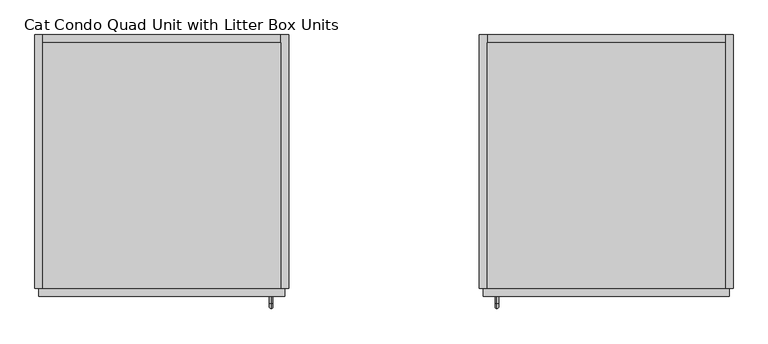
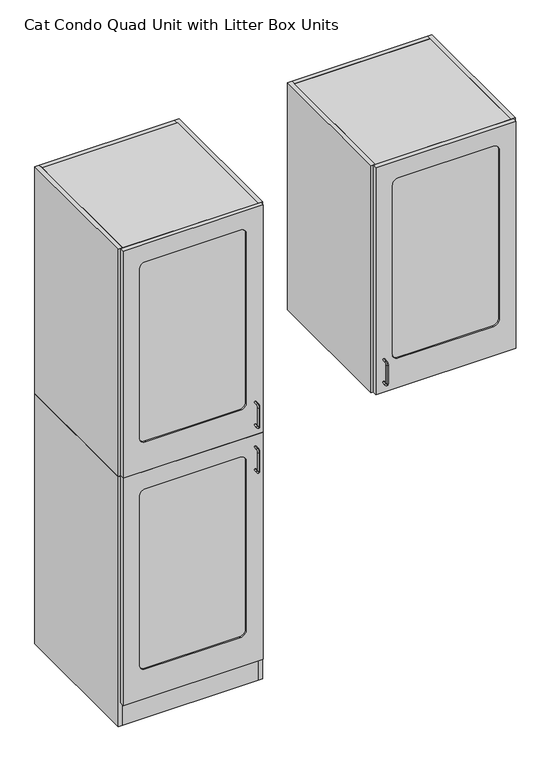
"""IFC4 building model written with IfcOpenShell, lengths in millimetres: proxy geometry, Cat Condo Quad Unit with Litter Box Units."""

from ifc_helpers import new_model, si_unit, point, frame, frame_2d, origin, origin_with_axes, place, context, project, spatial, polyline, circle_curve, ellipse_curve, trimmed, segment, composite_curve, outline, extrude, source, transform, mapped, element, save
from ifc_brep_helpers import plane_surface, cylinder_surface, revolved_surface, advanced_brep


def cat_condo_quad_unit_with_litter_box_units_f180b433(model_context):
    return source(origin(), model_context, "Body", "SolidModel", [
        advanced_brep(
        [(1109.2871577, -19.05, 1256.5493154), (1109.2871577, -19.05, 1264.4006846), (1109.2871577, -35.2117768, 1264.4006846), (1109.2871577, -35.2117768, 1256.5493154), (1109.2871577, -48.3756846, 1251.2367768), (1109.2871577, -40.5243154, 1251.2367768), (1109.2871577, -48.3756846, 1168.1132232), (1109.2871577, -40.5243154, 1168.1132232), (1109.2871577, -35.2117768, 1154.9493154), (1109.2871577, -35.2117768, 1162.8006846), (1109.2871577, -19.05, 1162.8006846), (1109.2871577, -19.05, 1154.9493154)],
        [
            (0, 1, circle_curve(frame((1109.2871577, -19.05, 1260.475), z_axis=(0.0, 1.0, 0.0), x_axis=(0.0, 0.0, 1.0)), 3.9256846)),
            (1, 0, circle_curve(frame((1109.2871577, -19.05, 1260.475), z_axis=(0.0, 1.0, 0.0), x_axis=(0.0, 0.0, 1.0)), 3.9256846)),
            (1, 2),
            (2, 3, circle_curve(frame((1109.2871577, -35.2117768, 1260.475), z_axis=(0.0, 1.0, 0.0), x_axis=(0.0, 0.0, 1.0)), 3.9256846)),
            (3, 0),
            (3, 2, circle_curve(frame((1109.2871577, -35.2117768, 1260.475), z_axis=(0.0, 1.0, 0.0), x_axis=(0.0, 0.0, 1.0)), 3.9256846)),
            (4, 5, circle_curve(frame((1109.2871577, -44.45, 1251.2367768), z_axis=(0.0, 0.0, 1.0), x_axis=(0.0, -1.0, 0.0)), 3.9256846)),
            (5, 3, circle_curve(frame((1109.2871577, -35.2117768, 1251.2367768), z_axis=(-1.0, 0.0, 0.0), x_axis=(0.0, 0.0, 1.0)), 5.3125387)),
            (2, 4, circle_curve(frame((1109.2871577, -35.2117768, 1251.2367768), z_axis=(1.0, 0.0, 0.0), x_axis=(0.0, 0.0, 1.0)), 13.1639078)),
            (5, 4, circle_curve(frame((1109.2871577, -44.45, 1251.2367768), z_axis=(0.0, 0.0, 1.0), x_axis=(0.0, -1.0, 0.0)), 3.9256846)),
            (4, 6),
            (6, 7, circle_curve(frame((1109.2871577, -44.45, 1168.1132232), z_axis=(0.0, 0.0, 1.0), x_axis=(0.0, -1.0, 0.0)), 3.9256846)),
            (7, 5),
            (7, 6, circle_curve(frame((1109.2871577, -44.45, 1168.1132232), z_axis=(0.0, 0.0, 1.0), x_axis=(0.0, -1.0, 0.0)), 3.9256846)),
            (8, 9, circle_curve(frame((1109.2871577, -35.2117768, 1158.875), z_axis=(0.0, -1.0, 0.0), x_axis=(0.0, 0.0, -1.0)), 3.9256846)),
            (9, 7, circle_curve(frame((1109.2871577, -35.2117768, 1168.1132232), z_axis=(-1.0, 0.0, 0.0), x_axis=(0.0, -1.0, 0.0)), 5.3125387)),
            (6, 8, circle_curve(frame((1109.2871577, -35.2117768, 1168.1132232), z_axis=(1.0, 0.0, 0.0), x_axis=(0.0, -1.0, 0.0)), 13.1639078)),
            (9, 8, circle_curve(frame((1109.2871577, -35.2117768, 1158.875), z_axis=(0.0, -1.0, 0.0), x_axis=(0.0, 0.0, -1.0)), 3.9256846)),
            (10, 11, circle_curve(frame((1109.2871577, -19.05, 1158.875), z_axis=(0.0, 1.0, 0.0), x_axis=(0.0, 0.0, -1.0)), 3.9256846)),
            (11, 10, circle_curve(frame((1109.2871577, -19.05, 1158.875), z_axis=(0.0, 1.0, 0.0), x_axis=(0.0, 0.0, -1.0)), 3.9256846)),
            (8, 11),
            (10, 9),
        ],
        [
            plane_surface(frame((1109.2871577, -19.05, 1260.475), z_axis=(0.0, 1.0, 0.0), x_axis=(-1.0, 0.0, 0.0))),
            cylinder_surface(frame((1109.2871577, -19.05, 1260.475), z_axis=(0.0, 1.0, 0.0), x_axis=(0.0, 0.0, 1.0)), 3.9256846),
            revolved_surface(trimmed(ellipse_curve(frame((1109.2871577, -35.2117768, 1260.475), z_axis=(0.0, -1.0, 0.0), x_axis=(0.0, 0.0, 1.0)), 3.9256846, 3.9256846), [point((1109.2871577, -35.2117768, 1256.5493154))], [point((1109.2871577, -35.2117768, 1264.4006846))], True, "CARTESIAN"), (1109.2871577, -35.2117768, 1251.2367768), (-1.0, 0.0, 0.0)),
            revolved_surface(trimmed(ellipse_curve(frame((1109.2871577, -35.2117768, 1260.475), z_axis=(0.0, -1.0, 0.0), x_axis=(0.0, 0.0, 1.0)), 3.9256846, 3.9256846), [point((1109.2871577, -35.2117768, 1264.4006846))], [point((1109.2871577, -35.2117768, 1256.5493154))], True, "CARTESIAN"), (1109.2871577, -35.2117768, 1251.2367768), (-1.0, 0.0, 0.0)),
            cylinder_surface(frame((1109.2871577, -44.45, 1251.2367768), z_axis=(0.0, 0.0, 1.0), x_axis=(0.0, -1.0, 0.0)), 3.9256846),
            revolved_surface(trimmed(ellipse_curve(frame((1109.2871577, -44.45, 1168.1132232), z_axis=(0.0, 0.0, -1.0), x_axis=(0.0, -1.0, 0.0)), 3.9256846, 3.9256846), [point((1109.2871577, -40.5243154, 1168.1132232))], [point((1109.2871577, -48.3756846, 1168.1132232))], True, "CARTESIAN"), (1109.2871577, -35.2117768, 1168.1132232), (-1.0, 0.0, 0.0)),
            revolved_surface(trimmed(ellipse_curve(frame((1109.2871577, -44.45, 1168.1132232), z_axis=(0.0, 0.0, -1.0), x_axis=(0.0, -1.0, 0.0)), 3.9256846, 3.9256846), [point((1109.2871577, -48.3756846, 1168.1132232))], [point((1109.2871577, -40.5243154, 1168.1132232))], True, "CARTESIAN"), (1109.2871577, -35.2117768, 1168.1132232), (-1.0, 0.0, 0.0)),
            plane_surface(frame((1109.2871577, -19.05, 1158.875), z_axis=(0.0, 1.0, 0.0), x_axis=(-1.0, 0.0, 0.0))),
            cylinder_surface(frame((1109.2871577, -35.2117768, 1158.875), z_axis=(0.0, -1.0, 0.0), x_axis=(0.0, 0.0, -1.0)), 3.9256846),
        ],
        [
            (0, [[1, 2]]),
            (1, [[3, 4, 5, -2]]),
            (1, [[-5, 6, -3, -1]]),
            (2, [[7, 8, -4, 9]]),
            (3, [[10, -9, -6, -8]]),
            (4, [[11, 12, 13, -7]]),
            (4, [[-13, 14, -11, -10]]),
            (5, [[15, 16, -12, 17]]),
            (6, [[18, -17, -14, -16]]),
            (7, [[19, 20]]),
            (8, [[21, -19, 22, -15]]),
            (8, [[-22, -20, -21, -18]]),
        ],
    ),
        extrude(outline(polyline([(1085.85, 590.55), (1657.35, 590.55), (1657.35, 0.0), (1085.85, 0.0), (1085.85, 590.55)])), frame((0.0, 0.0, 2108.2), z_axis=(0.0, 0.0, 1.0), x_axis=(1.0, 0.0, 0.0)), (0.0, 0.0, 1.0), 19.05),
        extrude(outline(polyline([(1085.85, 590.55), (1657.35, 590.55), (1657.35, 374.65), (1085.85, 166.6410111), (1085.85, 590.55)])), frame((0.0, 0.0, 1724.025), z_axis=(0.0, 0.0, 1.0), x_axis=(1.0, 0.0, 0.0)), (0.0, 0.0, 1.0), 19.05),
        extrude(outline(composite_curve([segment(polyline([(1454.15, 590.55), (1657.35, 590.55), (1657.35, 25.4), (1530.35, 25.4)]), True, "CONTINUOUS"), segment(trimmed(circle_curve(frame_2d((1530.35, 101.6)), 76.2), [point((1530.35, 25.4))], [point((1454.15, 101.6))], False, "CARTESIAN"), True, "CONTINUOUS"), segment(polyline([(1454.15, 101.6), (1454.15, 590.55)]), True, "CONTINUOUS")], self_intersect=False)), frame((0.0, 0.0, 1419.225), z_axis=(0.0, 0.0, 1.0), x_axis=(1.0, 0.0, 0.0)), (0.0, 0.0, 1.0), 19.05),
        extrude(outline(polyline([(1085.85, 0.0), (1085.85, 590.55), (1657.35, 590.55), (1657.35, 0.0), (1085.85, 0.0)])), frame((0.0, 0.0, 1114.425), z_axis=(0.0, 0.0, 1.0), x_axis=(1.0, 0.0, 0.0)), (0.0, 0.0, 1.0), 19.05),
        extrude(outline(polyline([(1085.85, 609.6), (1085.85, 0.0), (1066.8, 0.0), (1066.8, 609.6), (1085.85, 609.6)])), frame((0.0, 0.0, 1114.425), z_axis=(0.0, 0.0, 1.0), x_axis=(1.0, 0.0, 0.0)), (0.0, 0.0, 1.0), 1012.825),
        extrude(outline(polyline([(1085.85, 609.6), (1657.35, 609.6), (1657.35, 590.55), (1085.85, 590.55), (1085.85, 609.6)])), frame((0.0, 0.0, 1114.425), z_axis=(0.0, 0.0, 1.0), x_axis=(1.0, 0.0, 0.0)), (0.0, 0.0, 1.0), 1012.825),
        extrude(outline(polyline([(1657.35, 609.6), (1676.4, 609.6), (1676.4, 0.0), (1657.35, 0.0), (1657.35, 609.6)])), frame((0.0, 0.0, 1114.425), z_axis=(0.0, 0.0, 1.0), x_axis=(1.0, 0.0, 0.0)), (0.0, 0.0, 1.0), 1012.825),
        extrude(outline(composite_curve([segment(trimmed(circle_curve(frame_2d((2022.475, 1172.36875)), 25.4), [point((2047.875, 1172.36875))], [point((2022.475, 1146.96875))], False, "CARTESIAN"), True, "CONTINUOUS"), segment(polyline([(2022.475, 1146.96875), (1270.0, 1146.96875)]), True, "CONTINUOUS"), segment(trimmed(circle_curve(frame_2d((1270.0, 1172.36875)), 25.4), [point((1270.0, 1146.96875))], [point((1244.6, 1172.36875))], False, "CARTESIAN"), True, "CONTINUOUS"), segment(polyline([(1244.6, 1172.36875), (1244.6, 1572.41875)]), True, "CONTINUOUS"), segment(trimmed(circle_curve(frame_2d((1270.0, 1572.41875)), 25.4), [point((1244.6, 1572.41875))], [point((1270.0, 1597.81875))], False, "CARTESIAN"), True, "CONTINUOUS"), segment(polyline([(1270.0, 1597.81875), (2022.475, 1597.81875)]), True, "CONTINUOUS"), segment(trimmed(circle_curve(frame_2d((2022.475, 1572.41875)), 25.4), [point((2022.475, 1597.81875))], [point((2047.875, 1572.41875))], False, "CARTESIAN"), True, "CONTINUOUS"), segment(polyline([(2047.875, 1572.41875), (2047.875, 1172.36875)]), True, "CONTINUOUS")], self_intersect=False)), frame((0.0, -12.7, 0.0), z_axis=(0.0, 1.0, 0.0), x_axis=(0.0, 0.0, 1.0)), (0.0, 0.0, 1.0), 6.35),
        extrude(outline(polyline([(2127.25, 1076.325), (1114.425, 1076.325), (1114.425, 1666.875), (2127.25, 1666.875), (2127.25, 1076.325)]), holes=[composite_curve([segment(trimmed(circle_curve(frame_2d((2022.475, 1572.41875)), 25.4), [point((2047.875, 1572.41875))], [point((2022.475, 1597.81875))], True, "CARTESIAN"), True, "CONTINUOUS"), segment(polyline([(2022.475, 1597.81875), (1270.0, 1597.81875)]), True, "CONTINUOUS"), segment(trimmed(circle_curve(frame_2d((1270.0, 1572.41875)), 25.4), [point((1270.0, 1597.81875))], [point((1244.6, 1572.41875))], True, "CARTESIAN"), True, "CONTINUOUS"), segment(polyline([(1244.6, 1572.41875), (1244.6, 1172.36875)]), True, "CONTINUOUS"), segment(trimmed(circle_curve(frame_2d((1270.0, 1172.36875)), 25.4), [point((1244.6, 1172.36875))], [point((1270.0, 1146.96875))], True, "CARTESIAN"), True, "CONTINUOUS"), segment(polyline([(1270.0, 1146.96875), (2022.475, 1146.96875)]), True, "CONTINUOUS"), segment(trimmed(circle_curve(frame_2d((2022.475, 1172.36875)), 25.4), [point((2022.475, 1146.96875))], [point((2047.875, 1172.36875))], True, "CARTESIAN"), True, "CONTINUOUS"), segment(polyline([(2047.875, 1172.36875), (2047.875, 1572.41875)]), True, "CONTINUOUS")], self_intersect=False)]), frame((0.0, -19.05, 0.0), z_axis=(0.0, 1.0, 0.0), x_axis=(0.0, 0.0, 1.0)), (0.0, 0.0, 1.0), 19.05),
        advanced_brep(
        [(567.1128423, -19.05, 1056.5243154), (567.1128423, -19.05, 1064.3756846), (567.1128423, -35.2117768, 1064.3756846), (567.1128423, -35.2117768, 1056.5243154), (567.1128423, -35.2117768, 962.7756846), (567.1128423, -35.2117768, 954.9243154), (567.1128423, -19.05, 954.9243154), (567.1128423, -19.05, 962.7756846), (567.1128423, -48.3756846, 1051.2117768), (567.1128423, -40.5243154, 1051.2117768), (567.1128423, -40.5243154, 968.0882232), (567.1128423, -48.3756846, 968.0882232)],
        [
            (0, 1, circle_curve(frame((567.1128423, -19.05, 1060.45), z_axis=(0.0, 1.0, 0.0), x_axis=(0.0, 0.0, 1.0)), 3.9256846)),
            (1, 0, circle_curve(frame((567.1128423, -19.05, 1060.45), z_axis=(0.0, 1.0, 0.0), x_axis=(0.0, 0.0, 1.0)), 3.9256846)),
            (1, 2),
            (2, 3, circle_curve(frame((567.1128423, -35.2117768, 1060.45), z_axis=(0.0, 1.0, 0.0), x_axis=(0.0, 0.0, 1.0)), 3.9256846)),
            (3, 0),
            (4, 5, circle_curve(frame((567.1128423, -35.2117768, 958.85), z_axis=(0.0, 1.0, 0.0), x_axis=(0.0, 0.0, -1.0)), 3.9256846)),
            (5, 6),
            (6, 7, circle_curve(frame((567.1128423, -19.05, 958.85), z_axis=(0.0, -1.0, 0.0), x_axis=(0.0, 0.0, -1.0)), 3.9256846)),
            (7, 4),
            (3, 2, circle_curve(frame((567.1128423, -35.2117768, 1060.45), z_axis=(0.0, 1.0, 0.0), x_axis=(0.0, 0.0, 1.0)), 3.9256846)),
            (8, 2, circle_curve(frame((567.1128423, -35.2117768, 1051.2117768), z_axis=(-1.0, 0.0, 0.0), x_axis=(0.0, 0.0, 1.0)), 13.1639078)),
            (3, 9, circle_curve(frame((567.1128423, -35.2117768, 1051.2117768), z_axis=(1.0, 0.0, 0.0), x_axis=(0.0, 0.0, 1.0)), 5.3125387)),
            (9, 8, circle_curve(frame((567.1128423, -44.45, 1051.2117768), z_axis=(0.0, 0.0, 1.0), x_axis=(0.0, -1.0, 0.0)), 3.9256846)),
            (8, 9, circle_curve(frame((567.1128423, -44.45, 1051.2117768), z_axis=(0.0, 0.0, 1.0), x_axis=(0.0, -1.0, 0.0)), 3.9256846)),
            (9, 10),
            (10, 11, circle_curve(frame((567.1128423, -44.45, 968.0882232), z_axis=(0.0, 0.0, 1.0), x_axis=(0.0, -1.0, 0.0)), 3.9256846)),
            (11, 8),
            (11, 10, circle_curve(frame((567.1128423, -44.45, 968.0882232), z_axis=(0.0, 0.0, 1.0), x_axis=(0.0, -1.0, 0.0)), 3.9256846)),
            (5, 11, circle_curve(frame((567.1128423, -35.2117768, 968.0882232), z_axis=(-1.0, 0.0, 0.0), x_axis=(0.0, -1.0, 0.0)), 13.1639078)),
            (10, 4, circle_curve(frame((567.1128423, -35.2117768, 968.0882232), z_axis=(1.0, 0.0, 0.0), x_axis=(0.0, -1.0, 0.0)), 5.3125387)),
            (4, 5, circle_curve(frame((567.1128423, -35.2117768, 958.85), z_axis=(0.0, -1.0, 0.0), x_axis=(0.0, 0.0, -1.0)), 3.9256846)),
            (6, 7, circle_curve(frame((567.1128423, -19.05, 958.85), z_axis=(0.0, 1.0, 0.0), x_axis=(0.0, 0.0, -1.0)), 3.9256846)),
        ],
        [
            plane_surface(frame((567.1128423, -19.05, 1060.45), z_axis=(0.0, 1.0, 0.0), x_axis=(1.0, 0.0, 0.0))),
            cylinder_surface(frame((567.1128423, -19.05, 1060.45), z_axis=(0.0, 1.0, 0.0), x_axis=(0.0, 0.0, 1.0)), 3.9256846),
            cylinder_surface(frame((567.1128423, -35.2117768, 958.85), z_axis=(0.0, -1.0, 0.0), x_axis=(0.0, 0.0, -1.0)), 3.9256846),
            revolved_surface(trimmed(ellipse_curve(frame((567.1128423, -35.2117768, 1060.45), z_axis=(0.0, 1.0, 0.0), x_axis=(0.0, 0.0, 1.0)), 3.9256846, 3.9256846), [point((567.1128423, -35.2117768, 1056.5243154))], [point((567.1128423, -35.2117768, 1064.3756846))], True, "CARTESIAN"), (567.1128423, -35.2117768, 1051.2117768), (1.0, 0.0, 0.0)),
            revolved_surface(trimmed(ellipse_curve(frame((567.1128423, -35.2117768, 1060.45), z_axis=(0.0, 1.0, 0.0), x_axis=(0.0, 0.0, 1.0)), 3.9256846, 3.9256846), [point((567.1128423, -35.2117768, 1064.3756846))], [point((567.1128423, -35.2117768, 1056.5243154))], True, "CARTESIAN"), (567.1128423, -35.2117768, 1051.2117768), (1.0, 0.0, 0.0)),
            cylinder_surface(frame((567.1128423, -44.45, 1051.2117768), z_axis=(0.0, 0.0, 1.0), x_axis=(0.0, -1.0, 0.0)), 3.9256846),
            revolved_surface(trimmed(ellipse_curve(frame((567.1128423, -44.45, 968.0882232), z_axis=(0.0, 0.0, 1.0), x_axis=(0.0, -1.0, 0.0)), 3.9256846, 3.9256846), [point((567.1128423, -40.5243154, 968.0882232))], [point((567.1128423, -48.3756846, 968.0882232))], True, "CARTESIAN"), (567.1128423, -35.2117768, 968.0882232), (1.0, 0.0, 0.0)),
            revolved_surface(trimmed(ellipse_curve(frame((567.1128423, -44.45, 968.0882232), z_axis=(0.0, 0.0, 1.0), x_axis=(0.0, -1.0, 0.0)), 3.9256846, 3.9256846), [point((567.1128423, -48.3756846, 968.0882232))], [point((567.1128423, -40.5243154, 968.0882232))], True, "CARTESIAN"), (567.1128423, -35.2117768, 968.0882232), (1.0, 0.0, 0.0)),
            plane_surface(frame((567.1128423, -19.05, 958.85), z_axis=(0.0, 1.0, 0.0), x_axis=(1.0, 0.0, 0.0))),
        ],
        [
            (0, [[1, 2]]),
            (1, [[-2, 3, 4, 5]]),
            (2, [[6, 7, 8, 9]]),
            (1, [[-1, -5, 10, -3]]),
            (3, [[11, -10, 12, 13]]),
            (4, [[-12, -4, -11, 14]]),
            (5, [[-13, 15, 16, 17]]),
            (5, [[-14, -17, 18, -15]]),
            (6, [[19, -16, 20, 21]]),
            (7, [[-20, -18, -19, -6]]),
            (8, [[-8, 22]]),
            (2, [[-21, -9, -22, -7]]),
        ],
    ),
        extrude(outline(polyline([(590.55, 590.55), (590.55, 0.0), (19.05, 0.0), (19.05, 590.55), (590.55, 590.55)])), frame((0.0, 0.0, 1095.375), z_axis=(0.0, 0.0, 1.0), x_axis=(1.0, 0.0, 0.0)), (0.0, 0.0, 1.0), 19.05),
        extrude(outline(polyline([(590.55, 590.55), (590.55, 166.6410111), (19.05, 374.65), (19.05, 590.55), (590.55, 590.55)])), frame((0.0, 0.0, 711.2), z_axis=(0.0, 0.0, 1.0), x_axis=(1.0, 0.0, 0.0)), (0.0, 0.0, 1.0), 19.05),
        extrude(outline(composite_curve([segment(polyline([(222.25, 590.55), (222.25, 101.6)]), True, "CONTINUOUS"), segment(trimmed(circle_curve(frame_2d((146.05, 101.6)), 76.2), [point((222.25, 101.6))], [point((146.05, 25.4))], False, "CARTESIAN"), True, "CONTINUOUS"), segment(polyline([(146.05, 25.4), (19.05, 25.4), (19.05, 590.55), (222.25, 590.55)]), True, "CONTINUOUS")], self_intersect=False)), frame((0.0, 0.0, 406.4), z_axis=(0.0, 0.0, 1.0), x_axis=(1.0, 0.0, 0.0)), (0.0, 0.0, 1.0), 19.05),
        extrude(outline(polyline([(590.55, 0.0), (19.05, 0.0), (19.05, 590.55), (590.55, 590.55), (590.55, 0.0)])), frame((0.0, 0.0, 101.6), z_axis=(0.0, 0.0, 1.0), x_axis=(1.0, 0.0, 0.0)), (0.0, 0.0, 1.0), 19.05),
        extrude(outline(polyline([(590.55, 19.05), (590.55, 0.0), (19.05, 0.0), (19.05, 19.05), (590.55, 19.05)])), origin_with_axes(), (0.0, 0.0, 1.0), 101.6),
        extrude(outline(polyline([(590.55, 609.6), (609.6, 609.6), (609.6, 0.0), (590.55, 0.0), (590.55, 609.6)])), origin_with_axes(), (0.0, 0.0, 1.0), 1114.425),
        extrude(outline(polyline([(590.55, 609.6), (590.55, 590.55), (19.05, 590.55), (19.05, 609.6), (590.55, 609.6)])), origin_with_axes(), (0.0, 0.0, 1.0), 1114.425),
        extrude(outline(polyline([(19.05, 609.6), (19.05, 0.0), (0.0, 0.0), (0.0, 609.6), (19.05, 609.6)])), origin_with_axes(), (0.0, 0.0, 1.0), 1114.425),
        extrude(outline(composite_curve([segment(polyline([(1035.05, 504.03125), (1035.05, 103.98125)]), True, "CONTINUOUS"), segment(trimmed(circle_curve(frame_2d((1009.65, 103.98125)), 25.4), [point((1035.05, 103.98125))], [point((1009.65, 78.58125))], False, "CARTESIAN"), True, "CONTINUOUS"), segment(polyline([(1009.65, 78.58125), (257.175, 78.58125)]), True, "CONTINUOUS"), segment(trimmed(circle_curve(frame_2d((257.175, 103.98125)), 25.4), [point((257.175, 78.58125))], [point((231.775, 103.98125))], False, "CARTESIAN"), True, "CONTINUOUS"), segment(polyline([(231.775, 103.98125), (231.775, 504.03125)]), True, "CONTINUOUS"), segment(trimmed(circle_curve(frame_2d((257.175, 504.03125)), 25.4), [point((231.775, 504.03125))], [point((257.175, 529.43125))], False, "CARTESIAN"), True, "CONTINUOUS"), segment(polyline([(257.175, 529.43125), (1009.65, 529.43125)]), True, "CONTINUOUS"), segment(trimmed(circle_curve(frame_2d((1009.65, 504.03125)), 25.4), [point((1009.65, 529.43125))], [point((1035.05, 504.03125))], False, "CARTESIAN"), True, "CONTINUOUS")], self_intersect=False)), frame((0.0, -12.7, 0.0), z_axis=(0.0, 1.0, 0.0), x_axis=(0.0, 0.0, 1.0)), (0.0, 0.0, 1.0), 6.35),
        extrude(outline(polyline([(1114.425, 600.075), (1114.425, 9.525), (101.6, 9.525), (101.6, 600.075), (1114.425, 600.075)]), holes=[composite_curve([segment(polyline([(1035.05, 103.98125), (1035.05, 504.03125)]), True, "CONTINUOUS"), segment(trimmed(circle_curve(frame_2d((1009.65, 504.03125)), 25.4), [point((1035.05, 504.03125))], [point((1009.65, 529.43125))], True, "CARTESIAN"), True, "CONTINUOUS"), segment(polyline([(1009.65, 529.43125), (257.175, 529.43125)]), True, "CONTINUOUS"), segment(trimmed(circle_curve(frame_2d((257.175, 504.03125)), 25.4), [point((257.175, 529.43125))], [point((231.775, 504.03125))], True, "CARTESIAN"), True, "CONTINUOUS"), segment(polyline([(231.775, 504.03125), (231.775, 103.98125)]), True, "CONTINUOUS"), segment(trimmed(circle_curve(frame_2d((257.175, 103.98125)), 25.4), [point((231.775, 103.98125))], [point((257.175, 78.58125))], True, "CARTESIAN"), True, "CONTINUOUS"), segment(polyline([(257.175, 78.58125), (1009.65, 78.58125)]), True, "CONTINUOUS"), segment(trimmed(circle_curve(frame_2d((1009.65, 103.98125)), 25.4), [point((1009.65, 78.58125))], [point((1035.05, 103.98125))], True, "CARTESIAN"), True, "CONTINUOUS")], self_intersect=False)]), frame((0.0, -19.05, 0.0), z_axis=(0.0, 1.0, 0.0), x_axis=(0.0, 0.0, 1.0)), (0.0, 0.0, 1.0), 19.05),
        advanced_brep(
        [(567.1128423, -19.05, 1256.5493154), (567.1128423, -19.05, 1264.4006846), (567.1128423, -35.2117768, 1256.5493154), (567.1128423, -35.2117768, 1264.4006846), (567.1128423, -48.3756846, 1251.2367768), (567.1128423, -40.5243154, 1251.2367768), (567.1128423, -40.5243154, 1168.1132232), (567.1128423, -48.3756846, 1168.1132232), (567.1128423, -35.2117768, 1154.9493154), (567.1128423, -35.2117768, 1162.8006846), (567.1128423, -19.05, 1162.8006846), (567.1128423, -19.05, 1154.9493154)],
        [
            (0, 1, circle_curve(frame((567.1128423, -19.05, 1260.475), z_axis=(0.0, 1.0, 0.0), x_axis=(0.0, 0.0, 1.0)), 3.9256846)),
            (1, 0, circle_curve(frame((567.1128423, -19.05, 1260.475), z_axis=(0.0, 1.0, 0.0), x_axis=(0.0, 0.0, 1.0)), 3.9256846)),
            (0, 2),
            (2, 3, circle_curve(frame((567.1128423, -35.2117768, 1260.475), z_axis=(0.0, 1.0, 0.0), x_axis=(0.0, 0.0, 1.0)), 3.9256846)),
            (3, 1),
            (3, 2, circle_curve(frame((567.1128423, -35.2117768, 1260.475), z_axis=(0.0, 1.0, 0.0), x_axis=(0.0, 0.0, 1.0)), 3.9256846)),
            (4, 3, circle_curve(frame((567.1128423, -35.2117768, 1251.2367768), z_axis=(-1.0, 0.0, 0.0), x_axis=(0.0, 0.0, 1.0)), 13.1639078)),
            (2, 5, circle_curve(frame((567.1128423, -35.2117768, 1251.2367768), z_axis=(1.0, 0.0, 0.0), x_axis=(0.0, 0.0, 1.0)), 5.3125387)),
            (5, 4, circle_curve(frame((567.1128423, -44.45, 1251.2367768), z_axis=(0.0, 0.0, 1.0), x_axis=(0.0, -1.0, 0.0)), 3.9256846)),
            (4, 5, circle_curve(frame((567.1128423, -44.45, 1251.2367768), z_axis=(0.0, 0.0, 1.0), x_axis=(0.0, -1.0, 0.0)), 3.9256846)),
            (5, 6),
            (6, 7, circle_curve(frame((567.1128423, -44.45, 1168.1132232), z_axis=(0.0, 0.0, 1.0), x_axis=(0.0, -1.0, 0.0)), 3.9256846)),
            (7, 4),
            (7, 6, circle_curve(frame((567.1128423, -44.45, 1168.1132232), z_axis=(0.0, 0.0, 1.0), x_axis=(0.0, -1.0, 0.0)), 3.9256846)),
            (8, 7, circle_curve(frame((567.1128423, -35.2117768, 1168.1132232), z_axis=(-1.0, 0.0, 0.0), x_axis=(0.0, -1.0, 0.0)), 13.1639078)),
            (6, 9, circle_curve(frame((567.1128423, -35.2117768, 1168.1132232), z_axis=(1.0, 0.0, 0.0), x_axis=(0.0, -1.0, 0.0)), 5.3125387)),
            (9, 8, circle_curve(frame((567.1128423, -35.2117768, 1158.875), z_axis=(0.0, -1.0, 0.0), x_axis=(0.0, 0.0, -1.0)), 3.9256846)),
            (8, 9, circle_curve(frame((567.1128423, -35.2117768, 1158.875), z_axis=(0.0, -1.0, 0.0), x_axis=(0.0, 0.0, -1.0)), 3.9256846)),
            (10, 11, circle_curve(frame((567.1128423, -19.05, 1158.875), z_axis=(0.0, 1.0, 0.0), x_axis=(0.0, 0.0, -1.0)), 3.9256846)),
            (11, 10, circle_curve(frame((567.1128423, -19.05, 1158.875), z_axis=(0.0, 1.0, 0.0), x_axis=(0.0, 0.0, -1.0)), 3.9256846)),
            (9, 10),
            (11, 8),
        ],
        [
            plane_surface(frame((567.1128423, -19.05, 1260.475), z_axis=(0.0, 1.0, 0.0), x_axis=(1.0, 0.0, 0.0))),
            cylinder_surface(frame((567.1128423, -19.05, 1260.475), z_axis=(0.0, 1.0, 0.0), x_axis=(0.0, 0.0, 1.0)), 3.9256846),
            revolved_surface(trimmed(ellipse_curve(frame((567.1128423, -35.2117768, 1260.475), z_axis=(0.0, 1.0, 0.0), x_axis=(0.0, 0.0, 1.0)), 3.9256846, 3.9256846), [point((567.1128423, -35.2117768, 1256.5493154))], [point((567.1128423, -35.2117768, 1264.4006846))], True, "CARTESIAN"), (567.1128423, -35.2117768, 1251.2367768), (1.0, 0.0, 0.0)),
            revolved_surface(trimmed(ellipse_curve(frame((567.1128423, -35.2117768, 1260.475), z_axis=(0.0, 1.0, 0.0), x_axis=(0.0, 0.0, 1.0)), 3.9256846, 3.9256846), [point((567.1128423, -35.2117768, 1264.4006846))], [point((567.1128423, -35.2117768, 1256.5493154))], True, "CARTESIAN"), (567.1128423, -35.2117768, 1251.2367768), (1.0, 0.0, 0.0)),
            cylinder_surface(frame((567.1128423, -44.45, 1251.2367768), z_axis=(0.0, 0.0, 1.0), x_axis=(0.0, -1.0, 0.0)), 3.9256846),
            revolved_surface(trimmed(ellipse_curve(frame((567.1128423, -44.45, 1168.1132232), z_axis=(0.0, 0.0, 1.0), x_axis=(0.0, -1.0, 0.0)), 3.9256846, 3.9256846), [point((567.1128423, -40.5243154, 1168.1132232))], [point((567.1128423, -48.3756846, 1168.1132232))], True, "CARTESIAN"), (567.1128423, -35.2117768, 1168.1132232), (1.0, 0.0, 0.0)),
            revolved_surface(trimmed(ellipse_curve(frame((567.1128423, -44.45, 1168.1132232), z_axis=(0.0, 0.0, 1.0), x_axis=(0.0, -1.0, 0.0)), 3.9256846, 3.9256846), [point((567.1128423, -48.3756846, 1168.1132232))], [point((567.1128423, -40.5243154, 1168.1132232))], True, "CARTESIAN"), (567.1128423, -35.2117768, 1168.1132232), (1.0, 0.0, 0.0)),
            plane_surface(frame((567.1128423, -19.05, 1158.875), z_axis=(0.0, 1.0, 0.0), x_axis=(1.0, 0.0, 0.0))),
            cylinder_surface(frame((567.1128423, -35.2117768, 1158.875), z_axis=(0.0, -1.0, 0.0), x_axis=(0.0, 0.0, -1.0)), 3.9256846),
        ],
        [
            (0, [[1, 2]]),
            (1, [[-1, 3, 4, 5]]),
            (1, [[-2, -5, 6, -3]]),
            (2, [[7, -4, 8, 9]]),
            (3, [[-8, -6, -7, 10]]),
            (4, [[-9, 11, 12, 13]]),
            (4, [[-10, -13, 14, -11]]),
            (5, [[15, -12, 16, 17]]),
            (6, [[-16, -14, -15, 18]]),
            (7, [[19, 20]]),
            (8, [[-17, 21, -20, 22]]),
            (8, [[-18, -22, -19, -21]]),
        ],
    ),
        extrude(outline(polyline([(590.55, 590.55), (590.55, 0.0), (19.05, 0.0), (19.05, 590.55), (590.55, 590.55)])), frame((0.0, 0.0, 2108.2), z_axis=(0.0, 0.0, 1.0), x_axis=(1.0, 0.0, 0.0)), (0.0, 0.0, 1.0), 19.05),
        extrude(outline(polyline([(590.55, 590.55), (590.55, 166.6410111), (19.05, 374.65), (19.05, 590.55), (590.55, 590.55)])), frame((0.0, 0.0, 1724.025), z_axis=(0.0, 0.0, 1.0), x_axis=(1.0, 0.0, 0.0)), (0.0, 0.0, 1.0), 19.05),
        extrude(outline(composite_curve([segment(polyline([(222.25, 590.55), (222.25, 101.6)]), True, "CONTINUOUS"), segment(trimmed(circle_curve(frame_2d((146.05, 101.6)), 76.2), [point((222.25, 101.6))], [point((146.05, 25.4))], False, "CARTESIAN"), True, "CONTINUOUS"), segment(polyline([(146.05, 25.4), (19.05, 25.4), (19.05, 590.55), (222.25, 590.55)]), True, "CONTINUOUS")], self_intersect=False)), frame((0.0, 0.0, 1419.225), z_axis=(0.0, 0.0, 1.0), x_axis=(1.0, 0.0, 0.0)), (0.0, 0.0, 1.0), 19.05),
        extrude(outline(polyline([(590.55, 0.0), (19.05, 0.0), (19.05, 590.55), (590.55, 590.55), (590.55, 0.0)])), frame((0.0, 0.0, 1114.425), z_axis=(0.0, 0.0, 1.0), x_axis=(1.0, 0.0, 0.0)), (0.0, 0.0, 1.0), 19.05),
        extrude(outline(polyline([(590.55, 609.6), (609.6, 609.6), (609.6, 0.0), (590.55, 0.0), (590.55, 609.6)])), frame((0.0, 0.0, 1114.425), z_axis=(0.0, 0.0, 1.0), x_axis=(1.0, 0.0, 0.0)), (0.0, 0.0, 1.0), 1012.825),
        extrude(outline(polyline([(590.55, 609.6), (590.55, 590.55), (19.05, 590.55), (19.05, 609.6), (590.55, 609.6)])), frame((0.0, 0.0, 1114.425), z_axis=(0.0, 0.0, 1.0), x_axis=(1.0, 0.0, 0.0)), (0.0, 0.0, 1.0), 1012.825),
        extrude(outline(polyline([(19.05, 609.6), (19.05, 0.0), (0.0, 0.0), (0.0, 609.6), (19.05, 609.6)])), frame((0.0, 0.0, 1114.425), z_axis=(0.0, 0.0, 1.0), x_axis=(1.0, 0.0, 0.0)), (0.0, 0.0, 1.0), 1012.825),
        extrude(outline(composite_curve([segment(polyline([(2047.875, 504.03125), (2047.875, 103.98125)]), True, "CONTINUOUS"), segment(trimmed(circle_curve(frame_2d((2022.475, 103.98125)), 25.4), [point((2047.875, 103.98125))], [point((2022.475, 78.58125))], False, "CARTESIAN"), True, "CONTINUOUS"), segment(polyline([(2022.475, 78.58125), (1270.0, 78.58125)]), True, "CONTINUOUS"), segment(trimmed(circle_curve(frame_2d((1270.0, 103.98125)), 25.4), [point((1270.0, 78.58125))], [point((1244.6, 103.98125))], False, "CARTESIAN"), True, "CONTINUOUS"), segment(polyline([(1244.6, 103.98125), (1244.6, 504.03125)]), True, "CONTINUOUS"), segment(trimmed(circle_curve(frame_2d((1270.0, 504.03125)), 25.4), [point((1244.6, 504.03125))], [point((1270.0, 529.43125))], False, "CARTESIAN"), True, "CONTINUOUS"), segment(polyline([(1270.0, 529.43125), (2022.475, 529.43125)]), True, "CONTINUOUS"), segment(trimmed(circle_curve(frame_2d((2022.475, 504.03125)), 25.4), [point((2022.475, 529.43125))], [point((2047.875, 504.03125))], False, "CARTESIAN"), True, "CONTINUOUS")], self_intersect=False)), frame((0.0, -12.7, 0.0), z_axis=(0.0, 1.0, 0.0), x_axis=(0.0, 0.0, 1.0)), (0.0, 0.0, 1.0), 6.35),
        extrude(outline(polyline([(2127.25, 600.075), (2127.25, 9.525), (1114.425, 9.525), (1114.425, 600.075), (2127.25, 600.075)]), holes=[composite_curve([segment(polyline([(2047.875, 103.98125), (2047.875, 504.03125)]), True, "CONTINUOUS"), segment(trimmed(circle_curve(frame_2d((2022.475, 504.03125)), 25.4), [point((2047.875, 504.03125))], [point((2022.475, 529.43125))], True, "CARTESIAN"), True, "CONTINUOUS"), segment(polyline([(2022.475, 529.43125), (1270.0, 529.43125)]), True, "CONTINUOUS"), segment(trimmed(circle_curve(frame_2d((1270.0, 504.03125)), 25.4), [point((1270.0, 529.43125))], [point((1244.6, 504.03125))], True, "CARTESIAN"), True, "CONTINUOUS"), segment(polyline([(1244.6, 504.03125), (1244.6, 103.98125)]), True, "CONTINUOUS"), segment(trimmed(circle_curve(frame_2d((1270.0, 103.98125)), 25.4), [point((1244.6, 103.98125))], [point((1270.0, 78.58125))], True, "CARTESIAN"), True, "CONTINUOUS"), segment(polyline([(1270.0, 78.58125), (2022.475, 78.58125)]), True, "CONTINUOUS"), segment(trimmed(circle_curve(frame_2d((2022.475, 103.98125)), 25.4), [point((2022.475, 78.58125))], [point((2047.875, 103.98125))], True, "CARTESIAN"), True, "CONTINUOUS")], self_intersect=False)]), frame((0.0, -19.05, 0.0), z_axis=(0.0, 1.0, 0.0), x_axis=(0.0, 0.0, 1.0)), (0.0, 0.0, 1.0), 19.05),
    ])


if __name__ == "__main__":
    model = new_model("IFC4")
    model_context = context("Model", 3, world=origin())
    ifc_project = project(units=[si_unit("LENGTHUNIT", "METRE", prefix="MILLI")], contexts=[model_context])
    site = spatial("IfcSite", under=ifc_project)
    building = spatial("IfcBuilding", under=site)
    placement = place(None, origin())
    cat_condo_quad_unit_with_litter_box_units_shape = cat_condo_quad_unit_with_litter_box_units_f180b433(model_context)
    element("IfcBuildingElementProxy", 1, Name="Cat Condo Quad Unit with Litter Box Units", ObjectType="Cat Condo Quad Unit with Litter Box Units", at=placement, inside=building, context=model_context, shape_type="MappedRepresentation", body=[
        mapped(cat_condo_quad_unit_with_litter_box_units_shape, transform((0.0, 0.0, 0.0), x_axis=(1.0, 0.0, 0.0), y_axis=(0.0, 1.0, 0.0), z_axis=(0.0, 0.0, 1.0))),
    ])
    save(model, "model.ifc")
